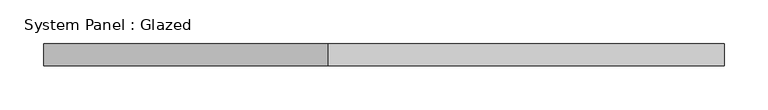
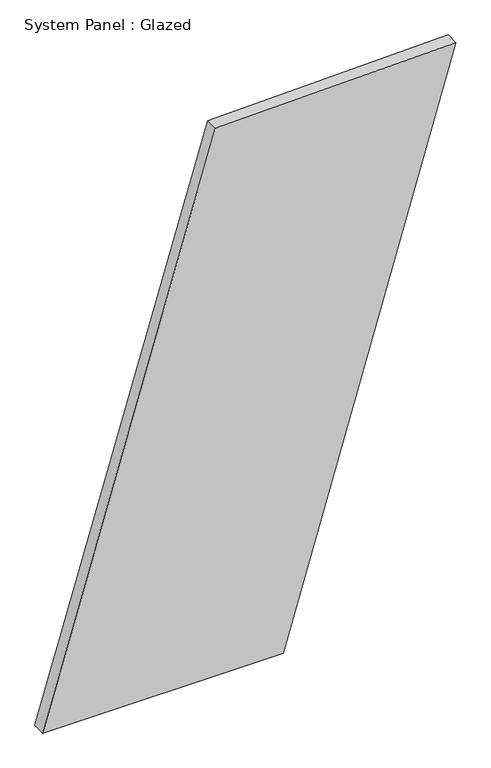
"""IFC4 building model written with IfcOpenShell, lengths in millimetres: plate geometry, System Panel : Glazed."""

from ifc_helpers import new_model, si_unit, frame, origin, place, context, project, spatial, polyline, outline, extrude, source, transform, mapped, element, save


def system_panel_glazed_c7baad9e(model_context):
    return source(origin(), model_context, "Body", "SweptSolid", [
        extrude(outline(polyline([(0.0, -388.5323449), (0.0, 63.7634195), (1100.5387135, 388.5323449), (1088.5760181, -63.7152438), (0.0, -388.5323449)])), frame((0.0, -49.5, 0.0), z_axis=(0.0, 1.0, 0.0), x_axis=(0.0, 0.0, 1.0)), (0.0, 0.0, 1.0), 25.0),
    ])


if __name__ == "__main__":
    model = new_model("IFC4")
    model_context = context("Model", 3, world=origin())
    ifc_project = project(units=[si_unit("LENGTHUNIT", "METRE", prefix="MILLI")], contexts=[model_context])
    site = spatial("IfcSite", under=ifc_project)
    building = spatial("IfcBuilding", under=site)
    placement = place(None, origin())
    system_panel_glazed_shape = system_panel_glazed_c7baad9e(model_context)
    element("IfcPlate", 1, ObjectType="System Panel : Glazed", at=placement, inside=building, context=model_context, shape_type="MappedRepresentation", body=[
        mapped(system_panel_glazed_shape, transform((0.0, 0.0, 0.0), x_axis=(1.0, 0.0, 0.0), y_axis=(0.0, 1.0, 0.0), z_axis=(0.0, 0.0, 1.0))),
    ])
    save(model, "model.ifc")
